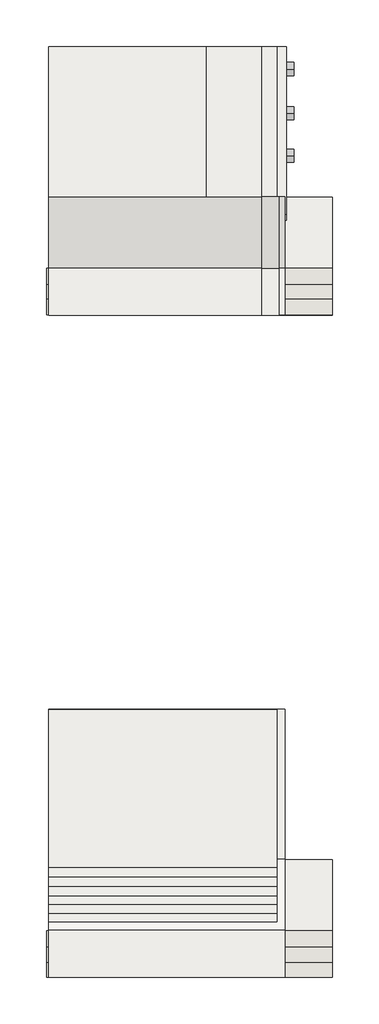
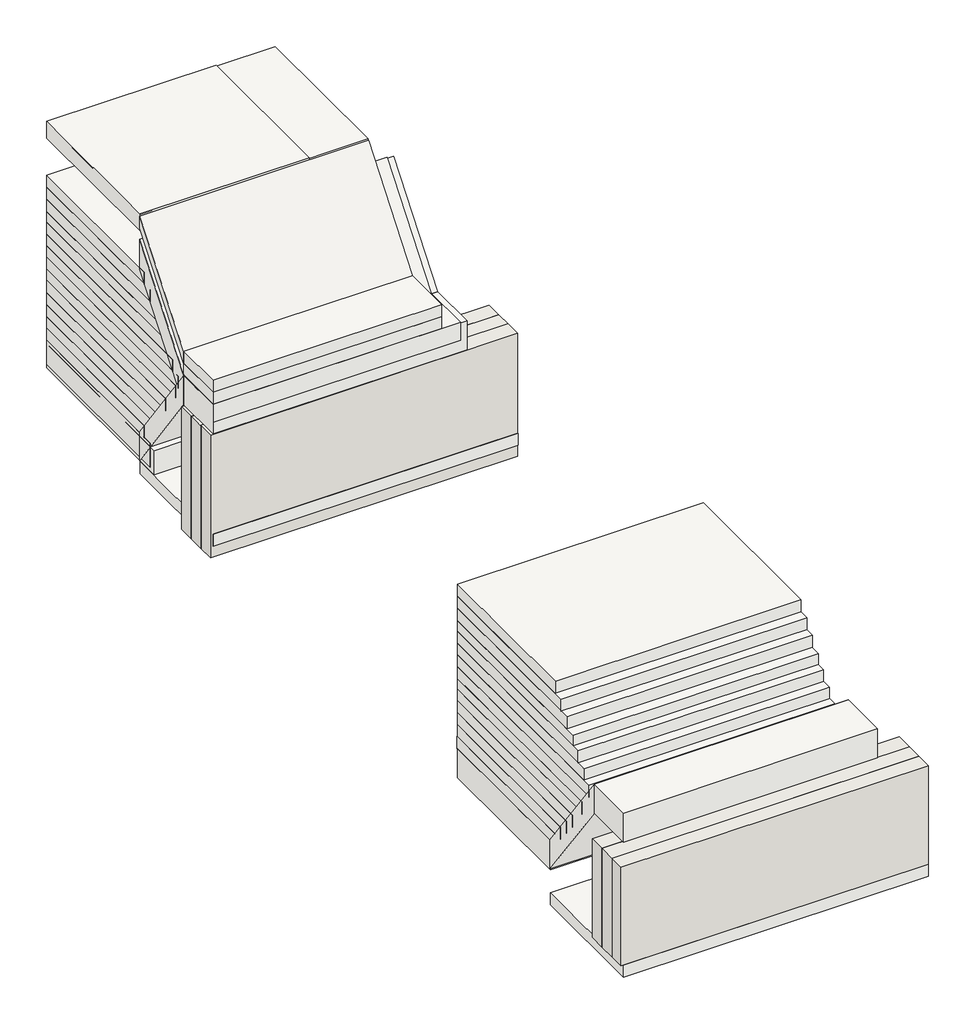
# One storey: 45 slabs, 6 walls, 3 pipe segments.
"""IFC4 building model written with IfcOpenShell, lengths in millimetres."""

from ifc_helpers import new_model, si_unit, point, frame, frame_2d, origin, place, context, project, spatial, polyline, circle_curve, trimmed, segment, composite_curve, outline, extrude, element, save

model = new_model("IFC4")

# Units and contexts
model_context = context("Model", 3, world=origin())
ifc_project = project(units=[si_unit("LENGTHUNIT", "METRE", prefix="MILLI")], contexts=[model_context])

# Site, building, storey
site = spatial("IfcSite", under=ifc_project)
building = spatial("IfcBuilding", under=site)
storey = spatial("IfcBuildingStorey", under=building, Elevation=0.0)

# Pipe segments
placement = place(None, origin())
element("IfcPipeSegment", 1, at=placement, inside=storey, context=model_context, shape_type="SweptSolid", body=[
    extrude(outline(composite_curve([segment(trimmed(circle_curve(frame_2d((-19679.4358004, -2301.2450549)), 84.1375), [point((-19595.2983004, -2301.2450549))], [point((-19679.4358004, -2385.3825549))], False, "CARTESIAN"), True, "CONTINUOUS"), segment(trimmed(circle_curve(frame_2d((-19679.4358004, -2301.2450549)), 84.1375), [point((-19679.4358004, -2385.3825549))], [point((-19763.5733004, -2301.2450549))], False, "CARTESIAN"), True, "CONTINUOUS"), segment(trimmed(circle_curve(frame_2d((-19679.4358004, -2301.2450549)), 84.1375), [point((-19763.5733004, -2301.2450549))], [point((-19679.4358004, -2217.1075549))], False, "CARTESIAN"), True, "CONTINUOUS"), segment(trimmed(circle_curve(frame_2d((-19679.4358004, -2301.2450549)), 84.1375), [point((-19679.4358004, -2217.1075549))], [point((-19595.2983004, -2301.2450549))], False, "CARTESIAN"), True, "CONTINUOUS")], self_intersect=False)), frame((-20080.938709, 0.0, 0.0), z_axis=(1.0, 0.0, 0.0), x_axis=(0.0, 1.0, 0.0)), (0.0, 0.0, 1.0), 100.0),
])
element("IfcPipeSegment", 2, at=placement, inside=storey, context=model_context, shape_type="SweptSolid", body=[
    extrude(outline(composite_curve([segment(trimmed(circle_curve(frame_2d((-19139.4358004, -2301.2450549)), 84.1375), [point((-19055.2983004, -2301.2450549))], [point((-19139.4358004, -2385.3825549))], False, "CARTESIAN"), True, "CONTINUOUS"), segment(trimmed(circle_curve(frame_2d((-19139.4358004, -2301.2450549)), 84.1375), [point((-19139.4358004, -2385.3825549))], [point((-19223.5733004, -2301.2450549))], False, "CARTESIAN"), True, "CONTINUOUS"), segment(trimmed(circle_curve(frame_2d((-19139.4358004, -2301.2450549)), 84.1375), [point((-19223.5733004, -2301.2450549))], [point((-19139.4358004, -2217.1075549))], False, "CARTESIAN"), True, "CONTINUOUS"), segment(trimmed(circle_curve(frame_2d((-19139.4358004, -2301.2450549)), 84.1375), [point((-19139.4358004, -2217.1075549))], [point((-19055.2983004, -2301.2450549))], False, "CARTESIAN"), True, "CONTINUOUS")], self_intersect=False)), frame((-20080.938709, 0.0, 0.0), z_axis=(1.0, 0.0, 0.0), x_axis=(0.0, 1.0, 0.0)), (0.0, 0.0, 1.0), 100.0),
])
element("IfcPipeSegment", 3, at=placement, inside=storey, context=model_context, shape_type="SweptSolid", body=[
    extrude(outline(composite_curve([segment(trimmed(circle_curve(frame_2d((-18579.4358004, -2301.2450549)), 84.1375), [point((-18495.2983004, -2301.2450549))], [point((-18579.4358004, -2385.3825549))], False, "CARTESIAN"), True, "CONTINUOUS"), segment(trimmed(circle_curve(frame_2d((-18579.4358004, -2301.2450549)), 84.1375), [point((-18579.4358004, -2385.3825549))], [point((-18663.5733004, -2301.2450549))], False, "CARTESIAN"), True, "CONTINUOUS"), segment(trimmed(circle_curve(frame_2d((-18579.4358004, -2301.2450549)), 84.1375), [point((-18663.5733004, -2301.2450549))], [point((-18579.4358004, -2217.1075549))], False, "CARTESIAN"), True, "CONTINUOUS"), segment(trimmed(circle_curve(frame_2d((-18579.4358004, -2301.2450549)), 84.1375), [point((-18579.4358004, -2217.1075549))], [point((-18495.2983004, -2301.2450549))], False, "CARTESIAN"), True, "CONTINUOUS")], self_intersect=False)), frame((-20080.938709, 0.0, 0.0), z_axis=(1.0, 0.0, 0.0), x_axis=(0.0, 1.0, 0.0)), (0.0, 0.0, 1.0), 100.0),
])

# Slabs
element("IfcSlab", 4, at=placement, inside=storey, context=model_context, shape_type="SweptSolid", body=[
    extrude(outline(polyline([(-20094.979927, -21100.4721395), (-20094.979927, -21697.812432), (-23094.979927, -21697.812432), (-23094.979927, -21100.4721395), (-20094.979927, -21100.4721395)])), frame((0.0, 0.0, -1244.3489963), z_axis=(0.0, 0.0, 1.0), x_axis=(1.0, 0.0, 0.0)), (0.0, 0.0, 1.0), 362.0),
])
element("IfcSlab", 5, at=placement, inside=storey, context=model_context, shape_type="SweptSolid", body=[
    extrude(outline(polyline([(-21100.4721395, -1244.3489963), (-21100.4721395, -882.3489963), (-20197.812432, -2125.3489963), (-20197.812432, -2487.3489963), (-21100.4721395, -1244.3489963)])), frame((-23094.979927, 0.0, 0.0), z_axis=(1.0, 0.0, 0.0), x_axis=(0.0, 1.0, 0.0)), (0.0, 0.0, 1.0), 3000.0),
])
element("IfcSlab", 6, at=placement, inside=storey, context=model_context, shape_type="SweptSolid", body=[
    extrude(outline(polyline([(-23094.979927, -18298.1729741), (-20074.979927, -18298.1729741), (-20074.979927, -20418.1729741), (-23094.979927, -20418.1729741), (-23094.979927, -18298.1729741)])), frame((0.0, 0.0, -2438.0), z_axis=(0.0, 0.0, 1.0), x_axis=(1.0, 0.0, 0.0)), (0.0, 0.0, 1.0), 300.0),
])
element("IfcSlab", 7, at=placement, inside=storey, context=model_context, shape_type="SweptSolid", body=[
    extrude(outline(polyline([(-23094.979927, -20206.3432829), (-19494.979927, -20206.3432829), (-19494.979927, -21698.4959671), (-23094.979927, -21698.4959671), (-23094.979927, -20206.3432829)])), frame((0.0, 0.0, -2645.3009667), z_axis=(0.0, 0.0, 1.0), x_axis=(1.0, 0.0, 0.0)), (0.0, 0.0, 1.0), 150.0),
])
element("IfcSlab", 8, at=placement, inside=storey, context=model_context, shape_type="SweptSolid", body=[
    extrude(outline(polyline([(-23094.979927, -18294.28394), (-20194.979927, -18294.28394), (-20194.979927, -20294.28394), (-23094.979927, -20294.28394), (-23094.979927, -18294.28394)])), frame((0.0, 0.0, -2140.4619342), z_axis=(0.0, 0.0, 1.0), x_axis=(1.0, 0.0, 0.0)), (0.0, 0.0, 1.0), 150.0),
])
element("IfcSlab", 9, at=placement, inside=storey, context=model_context, shape_type="SweptSolid", body=[
    extrude(outline(polyline([(-23094.979927, -18298.1729741), (-20194.979927, -18298.1729741), (-20194.979927, -20410.0133073), (-23094.979927, -20410.0133073), (-23094.979927, -18298.1729741)])), frame((0.0, 0.0, -1990.4619342), z_axis=(0.0, 0.0, 1.0), x_axis=(1.0, 0.0, 0.0)), (0.0, 0.0, 1.0), 150.0),
])
element("IfcSlab", 10, at=placement, inside=storey, context=model_context, shape_type="SweptSolid", body=[
    extrude(outline(polyline([(-23094.979927, -18298.1729741), (-20194.979927, -18298.1729741), (-20194.979927, -20534.0413754), (-23094.979927, -20534.0413754), (-23094.979927, -18298.1729741)])), frame((0.0, 0.0, -1840.690916), z_axis=(0.0, 0.0, 1.0), x_axis=(1.0, 0.0, 0.0)), (0.0, 0.0, 1.0), 150.0),
])
element("IfcSlab", 11, at=placement, inside=storey, context=model_context, shape_type="SweptSolid", body=[
    extrude(outline(polyline([(-23094.979927, -18298.1729741), (-20194.979927, -18298.1729741), (-20194.979927, -20655.9881425), (-23094.979927, -20655.9881425), (-23094.979927, -18298.1729741)])), frame((0.0, 0.0, -1691.5060223), z_axis=(0.0, 0.0, 1.0), x_axis=(1.0, 0.0, 0.0)), (0.0, 0.0, 1.0), 150.0),
])
element("IfcSlab", 12, at=placement, inside=storey, context=model_context, shape_type="SweptSolid", body=[
    extrude(outline(polyline([(-21100.4721395, -1244.3489963), (-21100.4721395, -882.3489963), (-20197.812432, 262.0), (-20197.812432, -100.0), (-21100.4721395, -1244.3489963)])), frame((-23094.979927, 0.0, 0.0), z_axis=(1.0, 0.0, 0.0), x_axis=(0.0, 1.0, 0.0)), (0.0, 0.0, 1.0), 3000.0),
])
element("IfcSlab", 13, at=placement, inside=storey, context=model_context, shape_type="SweptSolid", body=[
    extrude(outline(polyline([(-21104.3196362, -1091.620222), (-21104.3196362, -866.620222), (-20201.6599287, 277.7287743), (-20201.6599287, 52.7287743), (-21104.3196362, -1091.620222)])), frame((-23094.979927, 0.0, 0.0), z_axis=(1.0, 0.0, 0.0), x_axis=(0.0, 1.0, 0.0)), (0.0, 0.0, 1.0), 2920.0),
])
element("IfcSlab", 14, at=placement, inside=storey, context=model_context, shape_type="SweptSolid", body=[
    extrude(outline(polyline([(-20174.979927, -21105.6445935), (-20174.979927, -21702.984886), (-23094.979927, -21702.984886), (-23094.979927, -21105.6445935), (-20174.979927, -21105.6445935)])), frame((0.0, 0.0, -1095.6081123), z_axis=(0.0, 0.0, 1.0), x_axis=(1.0, 0.0, 0.0)), (0.0, 0.0, 1.0), 225.0),
])
element("IfcSlab", 15, at=placement, inside=storey, context=model_context, shape_type="SweptSolid", body=[
    extrude(outline(polyline([(-23094.979927, -18298.1729741), (-20074.979927, -18298.1729741), (-20074.979927, -20499.4358004), (-23094.979927, -20499.4358004), (-23094.979927, -18298.1729741)])), frame((0.0, 0.0, -2480.2343154), z_axis=(0.0, 0.0, 1.0), x_axis=(1.0, 0.0, 0.0)), (0.0, 0.0, 1.0), 300.0),
])
element("IfcSlab", 16, at=placement, inside=storey, context=model_context, shape_type="SweptSolid", body=[
    extrude(outline(polyline([(-23094.979927, -18296.3978419), (-20394.979927, -18296.3978419), (-20394.979927, -20196.3978419), (-23094.979927, -20196.3978419), (-23094.979927, -18296.3978419)])), frame((0.0, 0.0, 432.1898741), z_axis=(0.0, 0.0, 1.0), x_axis=(1.0, 0.0, 0.0)), (0.0, 0.0, 1.0), 150.0),
])
element("IfcSlab", 17, at=placement, inside=storey, context=model_context, shape_type="SweptSolid", body=[
    extrude(outline(polyline([(-21104.0940534, -728.7887636), (-21104.0940534, -578.7887636), (-20201.4343458, 565.5602327), (-20201.4343458, 415.5602327), (-21104.0940534, -728.7887636)])), frame((-23094.979927, 0.0, 0.0), z_axis=(1.0, 0.0, 0.0), x_axis=(0.0, 1.0, 0.0)), (0.0, 0.0, 1.0), 2700.0),
])
element("IfcSlab", 18, at=placement, inside=storey, context=model_context, shape_type="SweptSolid", body=[
    extrude(outline(polyline([(-20394.979927, -21104.3611736), (-20394.979927, -21701.7014661), (-23094.979927, -21701.7014661), (-23094.979927, -21104.3611736), (-20394.979927, -21104.3611736)])), frame((0.0, 0.0, -875.0), z_axis=(0.0, 0.0, 1.0), x_axis=(1.0, 0.0, 0.0)), (0.0, 0.0, 1.0), 150.0),
])
element("IfcSlab", 19, at=placement, inside=storey, context=model_context, shape_type="SweptSolid", body=[
    extrude(outline(polyline([(-20394.979927, -21104.3611736), (-20394.979927, -21701.7014661), (-23094.979927, -21701.7014661), (-23094.979927, -21104.3611736), (-20394.979927, -21104.3611736)])), frame((0.0, 0.0, -725.0), z_axis=(0.0, 0.0, 1.0), x_axis=(1.0, 0.0, 0.0)), (0.0, 0.0, 1.0), 150.0),
])
element("IfcSlab", 20, at=placement, inside=storey, context=model_context, shape_type="SweptSolid", body=[
    extrude(outline(polyline([(-23094.979927, -18298.6340366), (-21094.979927, -18298.6340366), (-21094.979927, -20198.6340366), (-23094.979927, -20198.6340366), (-23094.979927, -18298.6340366)])), frame((0.0, 0.0, 385.4539558), z_axis=(0.0, 0.0, 1.0), x_axis=(1.0, 0.0, 0.0)), (0.0, 0.0, 1.0), 210.0),
])
element("IfcSlab", 21, at=placement, inside=storey, context=model_context, shape_type="SweptSolid", body=[
    extrude(outline(polyline([(-23094.979927, -18296.3978419), (-20194.979927, -18296.3978419), (-20194.979927, -20735.3536874), (-23094.979927, -20735.3536874), (-23094.979927, -18296.3978419)])), frame((0.0, 0.0, -1540.0), z_axis=(0.0, 0.0, 1.0), x_axis=(1.0, 0.0, 0.0)), (0.0, 0.0, 1.0), 150.0),
])
element("IfcSlab", 22, at=placement, inside=storey, context=model_context, shape_type="SweptSolid", body=[
    extrude(outline(polyline([(-23094.979927, -18296.3978419), (-20194.979927, -18296.3978419), (-20194.979927, -20841.4564409), (-23094.979927, -20841.4564409), (-23094.979927, -18296.3978419)])), frame((0.0, 0.0, -1402.185462), z_axis=(0.0, 0.0, 1.0), x_axis=(1.0, 0.0, 0.0)), (0.0, 0.0, 1.0), 150.0),
])
element("IfcSlab", 23, at=placement, inside=storey, context=model_context, shape_type="SweptSolid", body=[
    extrude(outline(polyline([(-23094.979927, -18296.3978419), (-20194.979927, -18296.3978419), (-20194.979927, -20939.4584679), (-23094.979927, -20939.4584679), (-23094.979927, -18296.3978419)])), frame((0.0, 0.0, -1255.0), z_axis=(0.0, 0.0, 1.0), x_axis=(1.0, 0.0, 0.0)), (0.0, 0.0, 1.0), 150.0),
])
element("IfcSlab", 24, at=placement, inside=storey, context=model_context, shape_type="SweptSolid", body=[
    extrude(outline(polyline([(-23094.979927, -18298.1729741), (-20194.979927, -18298.1729741), (-20194.979927, -20987.7618133), (-23094.979927, -20987.7618133), (-23094.979927, -18298.1729741)])), frame((0.0, 0.0, -1105.1422317), z_axis=(0.0, 0.0, 1.0), x_axis=(1.0, 0.0, 0.0)), (0.0, 0.0, 1.0), 150.0),
])
element("IfcSlab", 25, at=placement, inside=storey, context=model_context, shape_type="SweptSolid", body=[
    extrude(outline(polyline([(-23094.979927, -18296.3978419), (-20194.979927, -18296.3978419), (-20194.979927, -20878.6672856), (-23094.979927, -20878.6672856), (-23094.979927, -18296.3978419)])), frame((0.0, 0.0, -963.155364), z_axis=(0.0, 0.0, 1.0), x_axis=(1.0, 0.0, 0.0)), (0.0, 0.0, 1.0), 150.0),
])
element("IfcSlab", 26, at=placement, inside=storey, context=model_context, shape_type="SweptSolid", body=[
    extrude(outline(polyline([(-23094.979927, -18296.3978419), (-20194.979927, -18296.3978419), (-20194.979927, -20760.3476501), (-23094.979927, -20760.3476501), (-23094.979927, -18296.3978419)])), frame((0.0, 0.0, -813.155364), z_axis=(0.0, 0.0, 1.0), x_axis=(1.0, 0.0, 0.0)), (0.0, 0.0, 1.0), 150.0),
])
element("IfcSlab", 27, at=placement, inside=storey, context=model_context, shape_type="SweptSolid", body=[
    extrude(outline(polyline([(-23094.979927, -18298.1729741), (-20194.979927, -18298.1729741), (-20194.979927, -20655.9881425), (-23094.979927, -20655.9881425), (-23094.979927, -18298.1729741)])), frame((0.0, 0.0, -680.8533494), z_axis=(0.0, 0.0, 1.0), x_axis=(1.0, 0.0, 0.0)), (0.0, 0.0, 1.0), 150.0),
])
element("IfcSlab", 28, at=placement, inside=storey, context=model_context, shape_type="SweptSolid", body=[
    extrude(outline(polyline([(-23094.979927, -18298.1729741), (-20194.979927, -18298.1729741), (-20194.979927, -20533.4344606), (-23094.979927, -20533.4344606), (-23094.979927, -18298.1729741)])), frame((0.0, 0.0, -525.485627), z_axis=(0.0, 0.0, 1.0), x_axis=(1.0, 0.0, 0.0)), (0.0, 0.0, 1.0), 150.0),
])
element("IfcSlab", 29, at=placement, inside=storey, context=model_context, shape_type="SweptSolid", body=[
    extrude(outline(polyline([(-23094.979927, -18298.1729741), (-20194.979927, -18298.1729741), (-20194.979927, -20415.1148251), (-23094.979927, -20415.1148251), (-23094.979927, -18298.1729741)])), frame((0.0, 0.0, -375.485627), z_axis=(0.0, 0.0, 1.0), x_axis=(1.0, 0.0, 0.0)), (0.0, 0.0, 1.0), 150.0),
])
element("IfcSlab", 30, at=placement, inside=storey, context=model_context, shape_type="SweptSolid", body=[
    extrude(outline(polyline([(-23094.979927, -18298.1729741), (-20194.979927, -18298.1729741), (-20194.979927, -20296.7951896), (-23094.979927, -20296.7951896), (-23094.979927, -18298.1729741)])), frame((0.0, 0.0, -225.485627), z_axis=(0.0, 0.0, 1.0), x_axis=(1.0, 0.0, 0.0)), (0.0, 0.0, 1.0), 150.0),
])
element("IfcSlab", 31, at=placement, inside=storey, context=model_context, shape_type="SweptSolid", body=[
    extrude(outline(polyline([(-20094.979927, -29500.4721395), (-20094.979927, -30097.812432), (-23094.979927, -30097.812432), (-23094.979927, -29500.4721395), (-20094.979927, -29500.4721395)])), frame((0.0, 0.0, -1244.3489963), z_axis=(0.0, 0.0, 1.0), x_axis=(1.0, 0.0, 0.0)), (0.0, 0.0, 1.0), 362.0),
])
element("IfcSlab", 32, at=placement, inside=storey, context=model_context, shape_type="SweptSolid", body=[
    extrude(outline(polyline([(-29500.4721395, -1244.3489963), (-29500.4721395, -882.3489963), (-28597.812432, -2125.3489963), (-28597.812432, -2487.3489963), (-29500.4721395, -1244.3489963)])), frame((-23094.979927, 0.0, 0.0), z_axis=(1.0, 0.0, 0.0), x_axis=(0.0, 1.0, 0.0)), (0.0, 0.0, 1.0), 3000.0),
])
element("IfcSlab", 33, at=placement, inside=storey, context=model_context, shape_type="SweptSolid", body=[
    extrude(outline(polyline([(-23094.979927, -26698.1729741), (-20094.979927, -26698.1729741), (-20094.979927, -28598.1729741), (-23094.979927, -28598.1729741), (-23094.979927, -26698.1729741)])), frame((0.0, 0.0, -2500.0), z_axis=(0.0, 0.0, 1.0), x_axis=(1.0, 0.0, 0.0)), (0.0, 0.0, 1.0), 362.0),
])
element("IfcSlab", 34, at=placement, inside=storey, context=model_context, shape_type="SweptSolid", body=[
    extrude(outline(polyline([(-23094.979927, -28603.3859155), (-19494.979927, -28603.3859155), (-19494.979927, -30095.5385997), (-23094.979927, -30095.5385997), (-23094.979927, -28603.3859155)])), frame((0.0, 0.0, -2935.1229709), z_axis=(0.0, 0.0, 1.0), x_axis=(1.0, 0.0, 0.0)), (0.0, 0.0, 1.0), 150.0),
])
element("IfcSlab", 35, at=placement, inside=storey, context=model_context, shape_type="SweptSolid", body=[
    extrude(outline(polyline([(-23094.979927, -26694.28394), (-20194.979927, -26694.28394), (-20194.979927, -28694.28394), (-23094.979927, -28694.28394), (-23094.979927, -26694.28394)])), frame((0.0, 0.0, -2140.4619342), z_axis=(0.0, 0.0, 1.0), x_axis=(1.0, 0.0, 0.0)), (0.0, 0.0, 1.0), 150.0),
])
element("IfcSlab", 36, at=placement, inside=storey, context=model_context, shape_type="SweptSolid", body=[
    extrude(outline(polyline([(-23094.979927, -26698.1729741), (-20194.979927, -26698.1729741), (-20194.979927, -28810.0133073), (-23094.979927, -28810.0133073), (-23094.979927, -26698.1729741)])), frame((0.0, 0.0, -1990.4619342), z_axis=(0.0, 0.0, 1.0), x_axis=(1.0, 0.0, 0.0)), (0.0, 0.0, 1.0), 150.0),
])
element("IfcSlab", 37, at=placement, inside=storey, context=model_context, shape_type="SweptSolid", body=[
    extrude(outline(polyline([(-23094.979927, -26698.1729741), (-20194.979927, -26698.1729741), (-20194.979927, -28934.0413754), (-23094.979927, -28934.0413754), (-23094.979927, -26698.1729741)])), frame((0.0, 0.0, -1840.690916), z_axis=(0.0, 0.0, 1.0), x_axis=(1.0, 0.0, 0.0)), (0.0, 0.0, 1.0), 150.0),
])
element("IfcSlab", 38, at=placement, inside=storey, context=model_context, shape_type="SweptSolid", body=[
    extrude(outline(polyline([(-23094.979927, -26698.1729741), (-20194.979927, -26698.1729741), (-20194.979927, -29055.9881425), (-23094.979927, -29055.9881425), (-23094.979927, -26698.1729741)])), frame((0.0, 0.0, -1691.5060223), z_axis=(0.0, 0.0, 1.0), x_axis=(1.0, 0.0, 0.0)), (0.0, 0.0, 1.0), 150.0),
])
element("IfcSlab", 39, at=placement, inside=storey, context=model_context, shape_type="SweptSolid", body=[
    extrude(outline(polyline([(-23094.979927, -26702.7834894), (-20194.979927, -26702.7834894), (-20194.979927, -29141.7393349), (-23094.979927, -29141.7393349), (-23094.979927, -26702.7834894)])), frame((0.0, 0.0, -1547.2852399), z_axis=(0.0, 0.0, 1.0), x_axis=(1.0, 0.0, 0.0)), (0.0, 0.0, 1.0), 150.0),
])
element("IfcSlab", 40, at=placement, inside=storey, context=model_context, shape_type="SweptSolid", body=[
    extrude(outline(polyline([(-23094.979927, -26702.7834894), (-20194.979927, -26702.7834894), (-20194.979927, -29247.8420883), (-23094.979927, -29247.8420883), (-23094.979927, -26702.7834894)])), frame((0.0, 0.0, -1409.4707019), z_axis=(0.0, 0.0, 1.0), x_axis=(1.0, 0.0, 0.0)), (0.0, 0.0, 1.0), 150.0),
])
element("IfcSlab", 41, at=placement, inside=storey, context=model_context, shape_type="SweptSolid", body=[
    extrude(outline(polyline([(-23094.979927, -26702.7834894), (-20194.979927, -26702.7834894), (-20194.979927, -29345.8441153), (-23094.979927, -29345.8441153), (-23094.979927, -26702.7834894)])), frame((0.0, 0.0, -1262.2852399), z_axis=(0.0, 0.0, 1.0), x_axis=(1.0, 0.0, 0.0)), (0.0, 0.0, 1.0), 150.0),
])
element("IfcSlab", 42, at=placement, inside=storey, context=model_context, shape_type="SweptSolid", body=[
    extrude(outline(polyline([(-23094.979927, -26704.5586215), (-20194.979927, -26704.5586215), (-20194.979927, -29394.1474608), (-23094.979927, -29394.1474608), (-23094.979927, -26704.5586215)])), frame((0.0, 0.0, -1112.4274715), z_axis=(0.0, 0.0, 1.0), x_axis=(1.0, 0.0, 0.0)), (0.0, 0.0, 1.0), 150.0),
])
element("IfcSlab", 43, at=placement, inside=storey, context=model_context, shape_type="SweptSolid", body=[
    extrude(outline(polyline([(-23094.979927, -26702.7834894), (-20194.979927, -26702.7834894), (-20194.979927, -29285.0529331), (-23094.979927, -29285.0529331), (-23094.979927, -26702.7834894)])), frame((0.0, 0.0, -970.4406039), z_axis=(0.0, 0.0, 1.0), x_axis=(1.0, 0.0, 0.0)), (0.0, 0.0, 1.0), 150.0),
])
element("IfcSlab", 44, at=placement, inside=storey, context=model_context, shape_type="SweptSolid", body=[
    extrude(outline(polyline([(-23094.979927, -26702.7834894), (-20194.979927, -26702.7834894), (-20194.979927, -29166.7332976), (-23094.979927, -29166.7332976), (-23094.979927, -26702.7834894)])), frame((0.0, 0.0, -820.4406039), z_axis=(0.0, 0.0, 1.0), x_axis=(1.0, 0.0, 0.0)), (0.0, 0.0, 1.0), 150.0),
])
element("IfcSlab", 45, at=placement, inside=storey, context=model_context, shape_type="SweptSolid", body=[
    extrude(outline(polyline([(-23094.979927, -26704.5586215), (-20194.979927, -26704.5586215), (-20194.979927, -29062.37379), (-23094.979927, -29062.37379), (-23094.979927, -26704.5586215)])), frame((0.0, 0.0, -688.1385893), z_axis=(0.0, 0.0, 1.0), x_axis=(1.0, 0.0, 0.0)), (0.0, 0.0, 1.0), 150.0),
])
element("IfcSlab", 46, at=placement, inside=storey, context=model_context, shape_type="SweptSolid", body=[
    extrude(outline(polyline([(-23094.979927, -26704.5586215), (-20194.979927, -26704.5586215), (-20194.979927, -28939.820108), (-23094.979927, -28939.820108), (-23094.979927, -26704.5586215)])), frame((0.0, 0.0, -532.7708668), z_axis=(0.0, 0.0, 1.0), x_axis=(1.0, 0.0, 0.0)), (0.0, 0.0, 1.0), 150.0),
])
element("IfcSlab", 47, at=placement, inside=storey, context=model_context, shape_type="SweptSolid", body=[
    extrude(outline(polyline([(-23094.979927, -26704.5586215), (-20194.979927, -26704.5586215), (-20194.979927, -28821.5004725), (-23094.979927, -28821.5004725), (-23094.979927, -26704.5586215)])), frame((0.0, 0.0, -382.7708668), z_axis=(0.0, 0.0, 1.0), x_axis=(1.0, 0.0, 0.0)), (0.0, 0.0, 1.0), 150.0),
])
element("IfcSlab", 48, at=placement, inside=storey, context=model_context, shape_type="SweptSolid", body=[
    extrude(outline(polyline([(-23094.979927, -26704.5586215), (-20194.979927, -26704.5586215), (-20194.979927, -28703.180837), (-23094.979927, -28703.180837), (-23094.979927, -26704.5586215)])), frame((0.0, 0.0, -232.7708668), z_axis=(0.0, 0.0, 1.0), x_axis=(1.0, 0.0, 0.0)), (0.0, 0.0, 1.0), 150.0),
])

# Walls
element("IfcWall", 49, at=placement, inside=storey, context=model_context, shape_type="SweptSolid", body=[
    extrude(outline(polyline([(-23122.7450169, -21105.5434088), (-19494.979927, -21105.5434088), (-19494.979927, -21305.5434088), (-23122.7450169, -21305.5434088), (-23122.7450169, -21105.5434088)])), frame((0.0, 0.0, -2782.185462), z_axis=(0.0, 0.0, 1.0), x_axis=(1.0, 0.0, 0.0)), (0.0, 0.0, 1.0), 1527.185462),
])
element("IfcWall", 50, at=placement, inside=storey, context=model_context, shape_type="SweptSolid", body=[
    extrude(outline(polyline([(-23122.7450169, -21305.5434088), (-19494.979927, -21305.5434088), (-19494.979927, -21505.5434088), (-23122.7450169, -21505.5434088), (-23122.7450169, -21305.5434088)])), frame((0.0, 0.0, -2782.185462), z_axis=(0.0, 0.0, 1.0), x_axis=(1.0, 0.0, 0.0)), (0.0, 0.0, 1.0), 1527.185462),
])
element("IfcWall", 51, at=placement, inside=storey, context=model_context, shape_type="SweptSolid", body=[
    extrude(outline(polyline([(-23122.7450169, -21495.5385997), (-19494.979927, -21495.5385997), (-19494.979927, -21695.5385997), (-23122.7450169, -21695.5385997), (-23122.7450169, -21495.5385997)])), frame((0.0, 0.0, -2782.185462), z_axis=(0.0, 0.0, 1.0), x_axis=(1.0, 0.0, 0.0)), (0.0, 0.0, 1.0), 1532.185462),
])
element("IfcWall", 52, at=placement, inside=storey, context=model_context, shape_type="SweptSolid", body=[
    extrude(outline(polyline([(-23122.7450169, -29505.5434088), (-19494.979927, -29505.5434088), (-19494.979927, -29705.5434088), (-23122.7450169, -29705.5434088), (-23122.7450169, -29505.5434088)])), frame((0.0, 0.0, -2782.185462), z_axis=(0.0, 0.0, 1.0), x_axis=(1.0, 0.0, 0.0)), (0.0, 0.0, 1.0), 1231.7235279),
])
element("IfcWall", 53, at=placement, inside=storey, context=model_context, shape_type="SweptSolid", body=[
    extrude(outline(polyline([(-23122.7450169, -29705.5434088), (-19494.979927, -29705.5434088), (-19494.979927, -29905.5434088), (-23122.7450169, -29905.5434088), (-23122.7450169, -29705.5434088)])), frame((0.0, 0.0, -2782.185462), z_axis=(0.0, 0.0, 1.0), x_axis=(1.0, 0.0, 0.0)), (0.0, 0.0, 1.0), 1231.7235279),
])
element("IfcWall", 54, at=placement, inside=storey, context=model_context, shape_type="SweptSolid", body=[
    extrude(outline(polyline([(-23122.7450169, -29895.5385997), (-19494.979927, -29895.5385997), (-19494.979927, -30095.5385997), (-23122.7450169, -30095.5385997), (-23122.7450169, -29895.5385997)])), frame((0.0, 0.0, -2782.185462), z_axis=(0.0, 0.0, 1.0), x_axis=(1.0, 0.0, 0.0)), (0.0, 0.0, 1.0), 1231.7235279),
])

save(model, "model.ifc")
